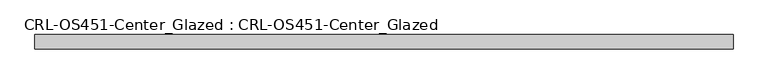
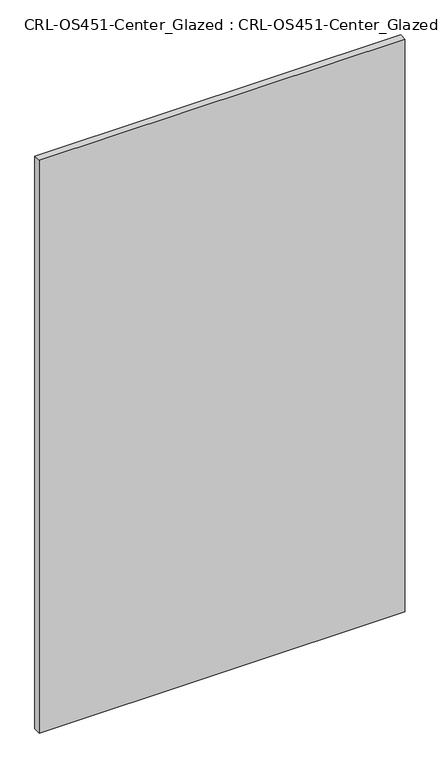
"""IFC4 building model written with IfcOpenShell, lengths in millimetres: plate geometry, CRL-OS451-Center_Glazed : CRL-OS451-Center_Glazed."""

from ifc_helpers import new_model, si_unit, origin, origin_with_axes, place, context, project, spatial, polyline, outline, extrude, source, transform, mapped, element, save


def crl_os451_center_glazed_crl_os451_center_glazed_eb2f5782(model_context):
    return source(origin(), model_context, "Body", "SweptSolid", [
        extrude(outline(polyline([(-614.1470615, 12.709956), (614.1470615, 12.709956), (614.1470615, -12.709956), (-614.1470615, -12.709956), (-614.1470615, 12.709956)])), origin_with_axes(), (0.0, 0.0, 1.0), 2033.8986269),
    ])


if __name__ == "__main__":
    model = new_model("IFC4")
    model_context = context("Model", 3, world=origin())
    ifc_project = project(units=[si_unit("LENGTHUNIT", "METRE", prefix="MILLI")], contexts=[model_context])
    site = spatial("IfcSite", under=ifc_project)
    building = spatial("IfcBuilding", under=site)
    placement = place(None, origin())
    crl_os451_center_glazed_crl_os451_center_glazed_shape = crl_os451_center_glazed_crl_os451_center_glazed_eb2f5782(model_context)
    element("IfcPlate", 1, ObjectType="CRL-OS451-Center_Glazed : CRL-OS451-Center_Glazed", at=placement, inside=building, context=model_context, shape_type="MappedRepresentation", body=[
        mapped(crl_os451_center_glazed_crl_os451_center_glazed_shape, transform((0.0, 0.0, 0.0), x_axis=(1.0, 0.0, 0.0), y_axis=(0.0, 1.0, 0.0), z_axis=(0.0, 0.0, 1.0))),
    ])
    save(model, "model.ifc")
